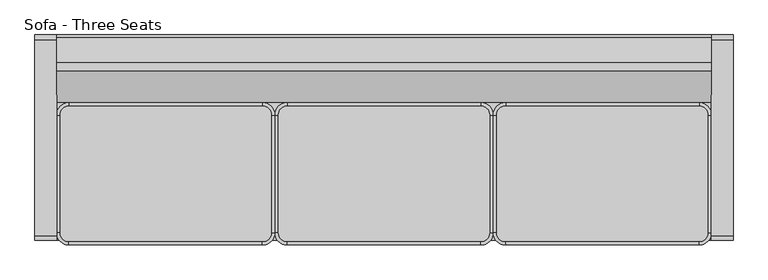
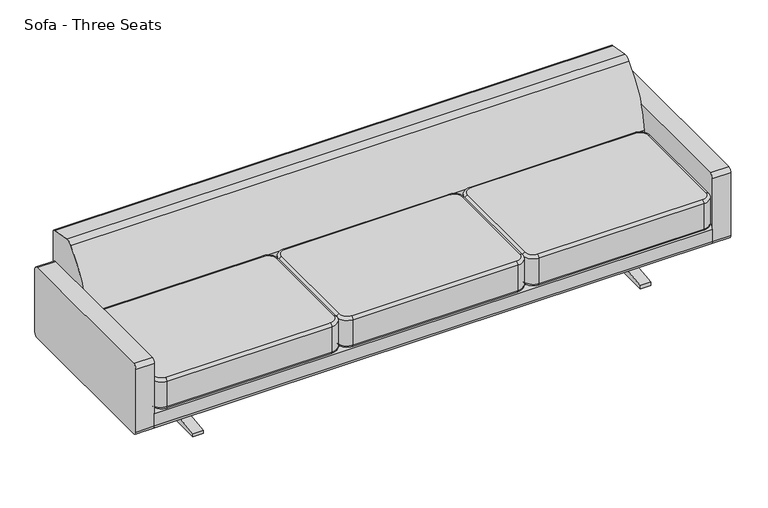
"""IFC4 building model written with IfcOpenShell, lengths in millimetres: furniture geometry, Sofa - Three Seats."""

from ifc_helpers import new_model, si_unit, point, frame, frame_2d, origin, place, context, project, spatial, polyline, circle_curve, ellipse_curve, trimmed, segment, composite_curve, outline, extrude, source, transform, mapped, element, save
from ifc_brep_helpers import plane_surface, cylinder_surface, revolved_surface, advanced_brep


def sofa_three_seats_1d3f8cb6(model_context):
    return source(origin(), model_context, "Body", "SolidModel", [
        advanced_brep(
        [(-397.9333333, 153.1137584, 291.1992435), (-448.7333333, 102.3137584, 291.1992435), (-448.7333333, 102.3137584, 419.864682), (-397.9333333, 153.1137584, 419.864682), (-397.9333333, 140.4137584, 278.4992435), (-436.0333333, 102.3137584, 278.4992435), (-436.0333333, 102.3137584, 432.564682), (-397.9333333, 140.4137584, 432.564682), (397.9333333, 153.1137584, 419.864682), (397.9333333, 153.1137584, 291.1992435), (397.9333333, 140.4137584, 278.4992435), (397.9333333, 140.4137584, 432.564682), (448.7333333, 102.3137584, 419.864682), (448.7333333, 102.3137584, 291.1992435), (436.0333333, 102.3137584, 278.4992435), (436.0333333, 102.3137584, 432.564682), (448.7333333, -381.0, 419.864682), (448.7333333, -381.0, 291.1992435), (436.0333333, -381.0, 278.4992435), (436.0333333, -381.0, 432.564682), (397.9333333, -431.8, 419.864682), (397.9333333, -431.8, 291.1992435), (397.9333333, -419.1, 278.4992435), (397.9333333, -419.1, 432.564682), (-397.9333333, -431.8, 419.864682), (-397.9333333, -431.8, 291.1992435), (-397.9333333, -419.1, 278.4992435), (-397.9333333, -419.1, 432.564682), (-448.7333333, -381.0, 419.864682), (-448.7333333, -381.0, 291.1992435), (-436.0333333, -381.0, 278.4992435), (-436.0333333, -381.0, 432.564682)],
        [
            (0, 1, circle_curve(frame((-397.9333333, 102.3137584, 291.1992435), z_axis=(0.0, 0.0, 1.0), x_axis=(-1.0, 0.0, 0.0)), 50.8)),
            (1, 2),
            (2, 3, circle_curve(frame((-397.9333333, 102.3137584, 419.864682), z_axis=(0.0, 0.0, -1.0), x_axis=(-1.0, 0.0, 0.0)), 50.8)),
            (3, 0),
            (0, 4, circle_curve(frame((-397.9333333, 140.4137584, 291.1992435), z_axis=(-1.0, 0.0, 0.0), x_axis=(0.0, 1.0, 0.0)), 12.7)),
            (4, 5, circle_curve(frame((-397.9333333, 102.3137584, 278.4992435), z_axis=(0.0, 0.0, 1.0), x_axis=(-1.0, 0.0, 0.0)), 38.1)),
            (5, 1, circle_curve(frame((-436.0333333, 102.3137584, 291.1992435), z_axis=(0.0, 1.0, 0.0), x_axis=(-1.0, 0.0, 0.0)), 12.7)),
            (2, 6, circle_curve(frame((-436.0333333, 102.3137584, 419.864682), z_axis=(0.0, 1.0, 0.0), x_axis=(-1.0, 0.0, 0.0)), 12.7)),
            (6, 7, circle_curve(frame((-397.9333333, 102.3137584, 432.564682), z_axis=(0.0, 0.0, -1.0), x_axis=(-1.0, 0.0, 0.0)), 38.1)),
            (7, 3, circle_curve(frame((-397.9333333, 140.4137584, 419.864682), z_axis=(-1.0, 0.0, 0.0), x_axis=(0.0, 1.0, 0.0)), 12.7)),
            (3, 8),
            (8, 9),
            (9, 0),
            (9, 10, circle_curve(frame((397.9333333, 140.4137584, 291.1992435), z_axis=(-1.0, 0.0, 0.0), x_axis=(0.0, 1.0, 0.0)), 12.7)),
            (10, 4),
            (7, 11),
            (11, 8, circle_curve(frame((397.9333333, 140.4137584, 419.864682), z_axis=(-1.0, 0.0, 0.0), x_axis=(0.0, 1.0, 0.0)), 12.7)),
            (8, 12, circle_curve(frame((397.9333333, 102.3137584, 419.864682), z_axis=(0.0, 0.0, -1.0), x_axis=(0.0, 1.0, 0.0)), 50.8)),
            (12, 13),
            (13, 9, circle_curve(frame((397.9333333, 102.3137584, 291.1992435), z_axis=(0.0, 0.0, 1.0), x_axis=(0.0, 1.0, 0.0)), 50.8)),
            (13, 14, circle_curve(frame((436.0333333, 102.3137584, 291.1992435), z_axis=(0.0, 1.0, 0.0), x_axis=(1.0, 0.0, 0.0)), 12.7)),
            (14, 10, circle_curve(frame((397.9333333, 102.3137584, 278.4992435), z_axis=(0.0, 0.0, 1.0), x_axis=(0.0, 1.0, 0.0)), 38.1)),
            (11, 15, circle_curve(frame((397.9333333, 102.3137584, 432.564682), z_axis=(0.0, 0.0, -1.0), x_axis=(0.0, 1.0, 0.0)), 38.1)),
            (15, 12, circle_curve(frame((436.0333333, 102.3137584, 419.864682), z_axis=(0.0, 1.0, 0.0), x_axis=(1.0, 0.0, 0.0)), 12.7)),
            (12, 16),
            (16, 17),
            (17, 13),
            (17, 18, circle_curve(frame((436.0333333, -381.0, 291.1992435), z_axis=(0.0, 1.0, 0.0), x_axis=(1.0, 0.0, 0.0)), 12.7)),
            (18, 14),
            (15, 19),
            (19, 16, circle_curve(frame((436.0333333, -381.0, 419.864682), z_axis=(0.0, 1.0, 0.0), x_axis=(1.0, 0.0, 0.0)), 12.7)),
            (16, 20, circle_curve(frame((397.9333333, -381.0, 419.864682), z_axis=(0.0, 0.0, -1.0), x_axis=(1.0, 0.0, 0.0)), 50.8)),
            (20, 21),
            (21, 17, circle_curve(frame((397.9333333, -381.0, 291.1992435), z_axis=(0.0, 0.0, 1.0), x_axis=(1.0, 0.0, 0.0)), 50.8)),
            (21, 22, circle_curve(frame((397.9333333, -419.1, 291.1992435), z_axis=(1.0, 0.0, 0.0), x_axis=(0.0, -1.0, 0.0)), 12.7)),
            (22, 18, circle_curve(frame((397.9333333, -381.0, 278.4992435), z_axis=(0.0, 0.0, 1.0), x_axis=(1.0, 0.0, 0.0)), 38.1)),
            (19, 23, circle_curve(frame((397.9333333, -381.0, 432.564682), z_axis=(0.0, 0.0, -1.0), x_axis=(1.0, 0.0, 0.0)), 38.1)),
            (23, 20, circle_curve(frame((397.9333333, -419.1, 419.864682), z_axis=(1.0, 0.0, 0.0), x_axis=(0.0, -1.0, 0.0)), 12.7)),
            (20, 24),
            (24, 25),
            (25, 21),
            (25, 26, circle_curve(frame((-397.9333333, -419.1, 291.1992435), z_axis=(1.0, 0.0, 0.0), x_axis=(0.0, -1.0, 0.0)), 12.7)),
            (26, 22),
            (23, 27),
            (27, 24, circle_curve(frame((-397.9333333, -419.1, 419.864682), z_axis=(1.0, 0.0, 0.0), x_axis=(0.0, -1.0, 0.0)), 12.7)),
            (24, 28, circle_curve(frame((-397.9333333, -381.0, 419.864682), z_axis=(0.0, 0.0, -1.0), x_axis=(0.0, -1.0, 0.0)), 50.8)),
            (28, 29),
            (29, 25, circle_curve(frame((-397.9333333, -381.0, 291.1992435), z_axis=(0.0, 0.0, 1.0), x_axis=(0.0, -1.0, 0.0)), 50.8)),
            (29, 30, circle_curve(frame((-436.0333333, -381.0, 291.1992435), z_axis=(0.0, -1.0, 0.0), x_axis=(-1.0, 0.0, 0.0)), 12.7)),
            (30, 26, circle_curve(frame((-397.9333333, -381.0, 278.4992435), z_axis=(0.0, 0.0, 1.0), x_axis=(0.0, -1.0, 0.0)), 38.1)),
            (27, 31, circle_curve(frame((-397.9333333, -381.0, 432.564682), z_axis=(0.0, 0.0, -1.0), x_axis=(0.0, -1.0, 0.0)), 38.1)),
            (31, 28, circle_curve(frame((-436.0333333, -381.0, 419.864682), z_axis=(0.0, -1.0, 0.0), x_axis=(-1.0, 0.0, 0.0)), 12.7)),
            (1, 29),
            (28, 2),
            (5, 30),
            (31, 6),
        ],
        [
            cylinder_surface(frame((-397.9333333, 102.3137584, 432.564682), z_axis=(0.0, 0.0, -1.0), x_axis=(-1.0, 0.0, 0.0)), 50.8),
            revolved_surface(trimmed(ellipse_curve(frame((-436.0333333, 102.3137584, 291.1992435), z_axis=(0.0, -1.0, 0.0), x_axis=(-1.0, 0.0, 0.0)), 12.7, 12.7), [point((-448.7333333, 102.3137584, 291.1992435))], [point((-436.0333333, 102.3137584, 278.4992435))], True, "CARTESIAN"), (-397.9333333, 102.3137584, 432.564682), (0.0, 0.0, -1.0)),
            revolved_surface(trimmed(ellipse_curve(frame((-436.0333333, 102.3137584, 419.864682), z_axis=(0.0, -1.0, 0.0), x_axis=(-1.0, 0.0, 0.0)), 12.7, 12.7), [point((-436.0333333, 102.3137584, 432.564682))], [point((-448.7333333, 102.3137584, 419.864682))], True, "CARTESIAN"), (-397.9333333, 102.3137584, 432.564682), (0.0, 0.0, -1.0)),
            plane_surface(frame((-397.9333333, 153.1137584, 419.864682), z_axis=(0.0, 1.0, 0.0), x_axis=(1.0, 0.0, 0.0))),
            cylinder_surface(frame((-397.9333333, 140.4137584, 291.1992435), z_axis=(-1.0, 0.0, 0.0), x_axis=(0.0, 1.0, 0.0)), 12.7),
            cylinder_surface(frame((-397.9333333, 140.4137584, 419.864682), z_axis=(-1.0, 0.0, 0.0), x_axis=(0.0, 1.0, 0.0)), 12.7),
            cylinder_surface(frame((397.9333333, 102.3137584, 432.564682), z_axis=(0.0, 0.0, -1.0), x_axis=(0.0, 1.0, 0.0)), 50.8),
            revolved_surface(trimmed(ellipse_curve(frame((397.9333333, 140.4137584, 291.1992435), z_axis=(-1.0, 0.0, 0.0), x_axis=(0.0, 1.0, 0.0)), 12.7, 12.7), [point((397.9333333, 153.1137584, 291.1992435))], [point((397.9333333, 140.4137584, 278.4992435))], True, "CARTESIAN"), (397.9333333, 102.3137584, 432.564682), (0.0, 0.0, -1.0)),
            revolved_surface(trimmed(ellipse_curve(frame((397.9333333, 140.4137584, 419.864682), z_axis=(-1.0, 0.0, 0.0), x_axis=(0.0, 1.0, 0.0)), 12.7, 12.7), [point((397.9333333, 140.4137584, 432.564682))], [point((397.9333333, 153.1137584, 419.864682))], True, "CARTESIAN"), (397.9333333, 102.3137584, 432.564682), (0.0, 0.0, -1.0)),
            plane_surface(frame((448.7333333, 102.3137584, 419.864682), z_axis=(1.0, 0.0, 0.0), x_axis=(0.0, -1.0, 0.0))),
            cylinder_surface(frame((436.0333333, 102.3137584, 291.1992435), z_axis=(0.0, 1.0, 0.0), x_axis=(1.0, 0.0, 0.0)), 12.7),
            cylinder_surface(frame((436.0333333, 102.3137584, 419.864682), z_axis=(0.0, 1.0, 0.0), x_axis=(1.0, 0.0, 0.0)), 12.7),
            cylinder_surface(frame((397.9333333, -381.0, 432.564682), z_axis=(0.0, 0.0, -1.0), x_axis=(1.0, 0.0, 0.0)), 50.8),
            revolved_surface(trimmed(ellipse_curve(frame((436.0333333, -381.0, 291.1992435), z_axis=(0.0, 1.0, 0.0), x_axis=(1.0, 0.0, 0.0)), 12.7, 12.7), [point((448.7333333, -381.0, 291.1992435))], [point((436.0333333, -381.0, 278.4992435))], True, "CARTESIAN"), (397.9333333, -381.0, 432.564682), (0.0, 0.0, -1.0)),
            revolved_surface(trimmed(ellipse_curve(frame((436.0333333, -381.0, 419.864682), z_axis=(0.0, 1.0, 0.0), x_axis=(1.0, 0.0, 0.0)), 12.7, 12.7), [point((436.0333333, -381.0, 432.564682))], [point((448.7333333, -381.0, 419.864682))], True, "CARTESIAN"), (397.9333333, -381.0, 432.564682), (0.0, 0.0, -1.0)),
            plane_surface(frame((397.9333333, -431.8, 419.864682), z_axis=(0.0, -1.0, 0.0), x_axis=(-1.0, 0.0, 0.0))),
            cylinder_surface(frame((397.9333333, -419.1, 291.1992435), z_axis=(1.0, 0.0, 0.0), x_axis=(0.0, -1.0, 0.0)), 12.7),
            cylinder_surface(frame((397.9333333, -419.1, 419.864682), z_axis=(1.0, 0.0, 0.0), x_axis=(0.0, -1.0, 0.0)), 12.7),
            cylinder_surface(frame((-397.9333333, -381.0, 432.564682), z_axis=(0.0, 0.0, -1.0), x_axis=(0.0, -1.0, 0.0)), 50.8),
            revolved_surface(trimmed(ellipse_curve(frame((-397.9333333, -419.1, 291.1992435), z_axis=(1.0, 0.0, 0.0), x_axis=(0.0, -1.0, 0.0)), 12.7, 12.7), [point((-397.9333333, -431.8, 291.1992435))], [point((-397.9333333, -419.1, 278.4992435))], True, "CARTESIAN"), (-397.9333333, -381.0, 432.564682), (0.0, 0.0, -1.0)),
            revolved_surface(trimmed(ellipse_curve(frame((-397.9333333, -419.1, 419.864682), z_axis=(1.0, 0.0, 0.0), x_axis=(0.0, -1.0, 0.0)), 12.7, 12.7), [point((-397.9333333, -419.1, 432.564682))], [point((-397.9333333, -431.8, 419.864682))], True, "CARTESIAN"), (-397.9333333, -381.0, 432.564682), (0.0, 0.0, -1.0)),
            plane_surface(frame((-448.7333333, -381.0, 419.864682), z_axis=(-1.0, 0.0, 0.0), x_axis=(0.0, 1.0, 0.0))),
            cylinder_surface(frame((-436.0333333, -381.0, 291.1992435), z_axis=(0.0, -1.0, 0.0), x_axis=(-1.0, 0.0, 0.0)), 12.7),
            cylinder_surface(frame((-436.0333333, -381.0, 419.864682), z_axis=(0.0, -1.0, 0.0), x_axis=(-1.0, 0.0, 0.0)), 12.7),
            plane_surface(frame((-436.0333333, 102.3137584, 432.564682), z_axis=(0.0, 0.0, 1.0), x_axis=(0.0, -1.0, 0.0))),
            plane_surface(frame((-436.0333333, 102.3137584, 278.4992435), z_axis=(0.0, 0.0, -1.0), x_axis=(0.0, 1.0, 0.0))),
        ],
        [
            (0, [[1, 2, 3, 4]]),
            (1, [[-1, 5, 6, 7]]),
            (2, [[-3, 8, 9, 10]]),
            (3, [[-4, 11, 12, 13]]),
            (4, [[-5, -13, 14, 15]]),
            (5, [[-10, 16, 17, -11]]),
            (6, [[-12, 18, 19, 20]]),
            (7, [[-14, -20, 21, 22]]),
            (8, [[-17, 23, 24, -18]]),
            (9, [[-19, 25, 26, 27]]),
            (10, [[-21, -27, 28, 29]]),
            (11, [[-24, 30, 31, -25]]),
            (12, [[-26, 32, 33, 34]]),
            (13, [[-28, -34, 35, 36]]),
            (14, [[-31, 37, 38, -32]]),
            (15, [[-33, 39, 40, 41]]),
            (16, [[-35, -41, 42, 43]]),
            (17, [[-38, 44, 45, -39]]),
            (18, [[-40, 46, 47, 48]]),
            (19, [[-42, -48, 49, 50]]),
            (20, [[-45, 51, 52, -46]]),
            (21, [[-2, 53, -47, 54]]),
            (22, [[-7, 55, -49, -53]]),
            (23, [[-8, -54, -52, 56]]),
            (24, [[-9, -56, -51, -44, -37, -30, -23, -16]]),
            (25, [[-6, -15, -22, -29, -36, -43, -50, -55]]),
        ],
    ),
        advanced_brep(
        [(499.5333333, 153.1137584, 291.1992435), (448.7333333, 102.3137584, 291.1992435), (448.7333333, 102.3137584, 419.864682), (499.5333333, 153.1137584, 419.864682), (499.5333333, 140.4137584, 278.4992435), (461.4333333, 102.3137584, 278.4992435), (461.4333333, 102.3137584, 432.564682), (499.5333333, 140.4137584, 432.564682), (1295.4, 153.1137584, 419.864682), (1295.4, 153.1137584, 291.1992435), (1295.4, 140.4137584, 278.4992435), (1295.4, 140.4137584, 432.564682), (1346.2, 102.3137584, 419.864682), (1346.2, 102.3137584, 291.1992435), (1333.5, 102.3137584, 278.4992435), (1333.5, 102.3137584, 432.564682), (1346.2, -381.0, 419.864682), (1346.2, -381.0, 291.1992435), (1333.5, -381.0, 278.4992435), (1333.5, -381.0, 432.564682), (1295.4, -431.8, 419.864682), (1295.4, -431.8, 291.1992435), (1295.4, -419.1, 278.4992435), (1295.4, -419.1, 432.564682), (499.5333333, -431.8, 419.864682), (499.5333333, -431.8, 291.1992435), (499.5333333, -419.1, 278.4992435), (499.5333333, -419.1, 432.564682), (448.7333333, -381.0, 419.864682), (448.7333333, -381.0, 291.1992435), (461.4333333, -381.0, 278.4992435), (461.4333333, -381.0, 432.564682)],
        [
            (0, 1, circle_curve(frame((499.5333333, 102.3137584, 291.1992435), z_axis=(0.0, 0.0, 1.0), x_axis=(-1.0, 0.0, 0.0)), 50.8)),
            (1, 2),
            (2, 3, circle_curve(frame((499.5333333, 102.3137584, 419.864682), z_axis=(0.0, 0.0, -1.0), x_axis=(-1.0, 0.0, 0.0)), 50.8)),
            (3, 0),
            (0, 4, circle_curve(frame((499.5333333, 140.4137584, 291.1992435), z_axis=(-1.0, 0.0, 0.0), x_axis=(0.0, 1.0, 0.0)), 12.7)),
            (4, 5, circle_curve(frame((499.5333333, 102.3137584, 278.4992435), z_axis=(0.0, 0.0, 1.0), x_axis=(-1.0, 0.0, 0.0)), 38.1)),
            (5, 1, circle_curve(frame((461.4333333, 102.3137584, 291.1992435), z_axis=(0.0, 1.0, 0.0), x_axis=(-1.0, 0.0, 0.0)), 12.7)),
            (2, 6, circle_curve(frame((461.4333333, 102.3137584, 419.864682), z_axis=(0.0, 1.0, 0.0), x_axis=(-1.0, 0.0, 0.0)), 12.7)),
            (6, 7, circle_curve(frame((499.5333333, 102.3137584, 432.564682), z_axis=(0.0, 0.0, -1.0), x_axis=(-1.0, 0.0, 0.0)), 38.1)),
            (7, 3, circle_curve(frame((499.5333333, 140.4137584, 419.864682), z_axis=(-1.0, 0.0, 0.0), x_axis=(0.0, 1.0, 0.0)), 12.7)),
            (3, 8),
            (8, 9),
            (9, 0),
            (9, 10, circle_curve(frame((1295.4, 140.4137584, 291.1992435), z_axis=(-1.0, 0.0, 0.0), x_axis=(0.0, 1.0, 0.0)), 12.7)),
            (10, 4),
            (7, 11),
            (11, 8, circle_curve(frame((1295.4, 140.4137584, 419.864682), z_axis=(-1.0, 0.0, 0.0), x_axis=(0.0, 1.0, 0.0)), 12.7)),
            (8, 12, circle_curve(frame((1295.4, 102.3137584, 419.864682), z_axis=(0.0, 0.0, -1.0), x_axis=(0.0, 1.0, 0.0)), 50.8)),
            (12, 13),
            (13, 9, circle_curve(frame((1295.4, 102.3137584, 291.1992435), z_axis=(0.0, 0.0, 1.0), x_axis=(0.0, 1.0, 0.0)), 50.8)),
            (13, 14, circle_curve(frame((1333.5, 102.3137584, 291.1992435), z_axis=(0.0, 1.0, 0.0), x_axis=(1.0, 0.0, 0.0)), 12.7)),
            (14, 10, circle_curve(frame((1295.4, 102.3137584, 278.4992435), z_axis=(0.0, 0.0, 1.0), x_axis=(0.0, 1.0, 0.0)), 38.1)),
            (11, 15, circle_curve(frame((1295.4, 102.3137584, 432.564682), z_axis=(0.0, 0.0, -1.0), x_axis=(0.0, 1.0, 0.0)), 38.1)),
            (15, 12, circle_curve(frame((1333.5, 102.3137584, 419.864682), z_axis=(0.0, 1.0, 0.0), x_axis=(1.0, 0.0, 0.0)), 12.7)),
            (12, 16),
            (16, 17),
            (17, 13),
            (17, 18, circle_curve(frame((1333.5, -381.0, 291.1992435), z_axis=(0.0, 1.0, 0.0), x_axis=(1.0, 0.0, 0.0)), 12.7)),
            (18, 14),
            (15, 19),
            (19, 16, circle_curve(frame((1333.5, -381.0, 419.864682), z_axis=(0.0, 1.0, 0.0), x_axis=(1.0, 0.0, 0.0)), 12.7)),
            (16, 20, circle_curve(frame((1295.4, -381.0, 419.864682), z_axis=(0.0, 0.0, -1.0), x_axis=(1.0, 0.0, 0.0)), 50.8)),
            (20, 21),
            (21, 17, circle_curve(frame((1295.4, -381.0, 291.1992435), z_axis=(0.0, 0.0, 1.0), x_axis=(1.0, 0.0, 0.0)), 50.8)),
            (21, 22, circle_curve(frame((1295.4, -419.1, 291.1992435), z_axis=(1.0, 0.0, 0.0), x_axis=(0.0, -1.0, 0.0)), 12.7)),
            (22, 18, circle_curve(frame((1295.4, -381.0, 278.4992435), z_axis=(0.0, 0.0, 1.0), x_axis=(1.0, 0.0, 0.0)), 38.1)),
            (19, 23, circle_curve(frame((1295.4, -381.0, 432.564682), z_axis=(0.0, 0.0, -1.0), x_axis=(1.0, 0.0, 0.0)), 38.1)),
            (23, 20, circle_curve(frame((1295.4, -419.1, 419.864682), z_axis=(1.0, 0.0, 0.0), x_axis=(0.0, -1.0, 0.0)), 12.7)),
            (20, 24),
            (24, 25),
            (25, 21),
            (25, 26, circle_curve(frame((499.5333333, -419.1, 291.1992435), z_axis=(1.0, 0.0, 0.0), x_axis=(0.0, -1.0, 0.0)), 12.7)),
            (26, 22),
            (23, 27),
            (27, 24, circle_curve(frame((499.5333333, -419.1, 419.864682), z_axis=(1.0, 0.0, 0.0), x_axis=(0.0, -1.0, 0.0)), 12.7)),
            (24, 28, circle_curve(frame((499.5333333, -381.0, 419.864682), z_axis=(0.0, 0.0, -1.0), x_axis=(0.0, -1.0, 0.0)), 50.8)),
            (28, 29),
            (29, 25, circle_curve(frame((499.5333333, -381.0, 291.1992435), z_axis=(0.0, 0.0, 1.0), x_axis=(0.0, -1.0, 0.0)), 50.8)),
            (29, 30, circle_curve(frame((461.4333333, -381.0, 291.1992435), z_axis=(0.0, -1.0, 0.0), x_axis=(-1.0, 0.0, 0.0)), 12.7)),
            (30, 26, circle_curve(frame((499.5333333, -381.0, 278.4992435), z_axis=(0.0, 0.0, 1.0), x_axis=(0.0, -1.0, 0.0)), 38.1)),
            (27, 31, circle_curve(frame((499.5333333, -381.0, 432.564682), z_axis=(0.0, 0.0, -1.0), x_axis=(0.0, -1.0, 0.0)), 38.1)),
            (31, 28, circle_curve(frame((461.4333333, -381.0, 419.864682), z_axis=(0.0, -1.0, 0.0), x_axis=(-1.0, 0.0, 0.0)), 12.7)),
            (1, 29),
            (28, 2),
            (5, 30),
            (31, 6),
        ],
        [
            cylinder_surface(frame((499.5333333, 102.3137584, 432.564682), z_axis=(0.0, 0.0, -1.0), x_axis=(-1.0, 0.0, 0.0)), 50.8),
            revolved_surface(trimmed(ellipse_curve(frame((461.4333333, 102.3137584, 291.1992435), z_axis=(0.0, -1.0, 0.0), x_axis=(-1.0, 0.0, 0.0)), 12.7, 12.7), [point((448.7333333, 102.3137584, 291.1992435))], [point((461.4333333, 102.3137584, 278.4992435))], True, "CARTESIAN"), (499.5333333, 102.3137584, 432.564682), (0.0, 0.0, -1.0)),
            revolved_surface(trimmed(ellipse_curve(frame((461.4333333, 102.3137584, 419.864682), z_axis=(0.0, -1.0, 0.0), x_axis=(-1.0, 0.0, 0.0)), 12.7, 12.7), [point((461.4333333, 102.3137584, 432.564682))], [point((448.7333333, 102.3137584, 419.864682))], True, "CARTESIAN"), (499.5333333, 102.3137584, 432.564682), (0.0, 0.0, -1.0)),
            plane_surface(frame((499.5333333, 153.1137584, 419.864682), z_axis=(0.0, 1.0, 0.0), x_axis=(1.0, 0.0, 0.0))),
            cylinder_surface(frame((499.5333333, 140.4137584, 291.1992435), z_axis=(-1.0, 0.0, 0.0), x_axis=(0.0, 1.0, 0.0)), 12.7),
            cylinder_surface(frame((499.5333333, 140.4137584, 419.864682), z_axis=(-1.0, 0.0, 0.0), x_axis=(0.0, 1.0, 0.0)), 12.7),
            cylinder_surface(frame((1295.4, 102.3137584, 432.564682), z_axis=(0.0, 0.0, -1.0), x_axis=(0.0, 1.0, 0.0)), 50.8),
            revolved_surface(trimmed(ellipse_curve(frame((1295.4, 140.4137584, 291.1992435), z_axis=(-1.0, 0.0, 0.0), x_axis=(0.0, 1.0, 0.0)), 12.7, 12.7), [point((1295.4, 153.1137584, 291.1992435))], [point((1295.4, 140.4137584, 278.4992435))], True, "CARTESIAN"), (1295.4, 102.3137584, 432.564682), (0.0, 0.0, -1.0)),
            revolved_surface(trimmed(ellipse_curve(frame((1295.4, 140.4137584, 419.864682), z_axis=(-1.0, 0.0, 0.0), x_axis=(0.0, 1.0, 0.0)), 12.7, 12.7), [point((1295.4, 140.4137584, 432.564682))], [point((1295.4, 153.1137584, 419.864682))], True, "CARTESIAN"), (1295.4, 102.3137584, 432.564682), (0.0, 0.0, -1.0)),
            plane_surface(frame((1346.2, 102.3137584, 419.864682), z_axis=(1.0, 0.0, 0.0), x_axis=(0.0, -1.0, 0.0))),
            cylinder_surface(frame((1333.5, 102.3137584, 291.1992435), z_axis=(0.0, 1.0, 0.0), x_axis=(1.0, 0.0, 0.0)), 12.7),
            cylinder_surface(frame((1333.5, 102.3137584, 419.864682), z_axis=(0.0, 1.0, 0.0), x_axis=(1.0, 0.0, 0.0)), 12.7),
            cylinder_surface(frame((1295.4, -381.0, 432.564682), z_axis=(0.0, 0.0, -1.0), x_axis=(1.0, 0.0, 0.0)), 50.8),
            revolved_surface(trimmed(ellipse_curve(frame((1333.5, -381.0, 291.1992435), z_axis=(0.0, 1.0, 0.0), x_axis=(1.0, 0.0, 0.0)), 12.7, 12.7), [point((1346.2, -381.0, 291.1992435))], [point((1333.5, -381.0, 278.4992435))], True, "CARTESIAN"), (1295.4, -381.0, 432.564682), (0.0, 0.0, -1.0)),
            revolved_surface(trimmed(ellipse_curve(frame((1333.5, -381.0, 419.864682), z_axis=(0.0, 1.0, 0.0), x_axis=(1.0, 0.0, 0.0)), 12.7, 12.7), [point((1333.5, -381.0, 432.564682))], [point((1346.2, -381.0, 419.864682))], True, "CARTESIAN"), (1295.4, -381.0, 432.564682), (0.0, 0.0, -1.0)),
            plane_surface(frame((1295.4, -431.8, 419.864682), z_axis=(0.0, -1.0, 0.0), x_axis=(-1.0, 0.0, 0.0))),
            cylinder_surface(frame((1295.4, -419.1, 291.1992435), z_axis=(1.0, 0.0, 0.0), x_axis=(0.0, -1.0, 0.0)), 12.7),
            cylinder_surface(frame((1295.4, -419.1, 419.864682), z_axis=(1.0, 0.0, 0.0), x_axis=(0.0, -1.0, 0.0)), 12.7),
            cylinder_surface(frame((499.5333333, -381.0, 432.564682), z_axis=(0.0, 0.0, -1.0), x_axis=(0.0, -1.0, 0.0)), 50.8),
            revolved_surface(trimmed(ellipse_curve(frame((499.5333333, -419.1, 291.1992435), z_axis=(1.0, 0.0, 0.0), x_axis=(0.0, -1.0, 0.0)), 12.7, 12.7), [point((499.5333333, -431.8, 291.1992435))], [point((499.5333333, -419.1, 278.4992435))], True, "CARTESIAN"), (499.5333333, -381.0, 432.564682), (0.0, 0.0, -1.0)),
            revolved_surface(trimmed(ellipse_curve(frame((499.5333333, -419.1, 419.864682), z_axis=(1.0, 0.0, 0.0), x_axis=(0.0, -1.0, 0.0)), 12.7, 12.7), [point((499.5333333, -419.1, 432.564682))], [point((499.5333333, -431.8, 419.864682))], True, "CARTESIAN"), (499.5333333, -381.0, 432.564682), (0.0, 0.0, -1.0)),
            plane_surface(frame((448.7333333, -381.0, 419.864682), z_axis=(-1.0, 0.0, 0.0), x_axis=(0.0, 1.0, 0.0))),
            cylinder_surface(frame((461.4333333, -381.0, 291.1992435), z_axis=(0.0, -1.0, 0.0), x_axis=(-1.0, 0.0, 0.0)), 12.7),
            cylinder_surface(frame((461.4333333, -381.0, 419.864682), z_axis=(0.0, -1.0, 0.0), x_axis=(-1.0, 0.0, 0.0)), 12.7),
            plane_surface(frame((461.4333333, 102.3137584, 432.564682), z_axis=(0.0, 0.0, 1.0), x_axis=(0.0, -1.0, 0.0))),
            plane_surface(frame((461.4333333, 102.3137584, 278.4992435), z_axis=(0.0, 0.0, -1.0), x_axis=(0.0, 1.0, 0.0))),
        ],
        [
            (0, [[1, 2, 3, 4]]),
            (1, [[-1, 5, 6, 7]]),
            (2, [[-3, 8, 9, 10]]),
            (3, [[-4, 11, 12, 13]]),
            (4, [[-5, -13, 14, 15]]),
            (5, [[-10, 16, 17, -11]]),
            (6, [[-12, 18, 19, 20]]),
            (7, [[-14, -20, 21, 22]]),
            (8, [[-17, 23, 24, -18]]),
            (9, [[-19, 25, 26, 27]]),
            (10, [[-21, -27, 28, 29]]),
            (11, [[-24, 30, 31, -25]]),
            (12, [[-26, 32, 33, 34]]),
            (13, [[-28, -34, 35, 36]]),
            (14, [[-31, 37, 38, -32]]),
            (15, [[-33, 39, 40, 41]]),
            (16, [[-35, -41, 42, 43]]),
            (17, [[-38, 44, 45, -39]]),
            (18, [[-40, 46, 47, 48]]),
            (19, [[-42, -48, 49, 50]]),
            (20, [[-45, 51, 52, -46]]),
            (21, [[-2, 53, -47, 54]]),
            (22, [[-7, 55, -49, -53]]),
            (23, [[-8, -54, -52, 56]]),
            (24, [[-9, -56, -51, -44, -37, -30, -23, -16]]),
            (25, [[-6, -15, -22, -29, -36, -43, -50, -55]]),
        ],
    ),
        advanced_brep(
        [(-1295.4, 153.1137584, 291.1992435), (-1346.2, 102.3137584, 291.1992435), (-1346.2, 102.3137584, 419.864682), (-1295.4, 153.1137584, 419.864682), (-1295.4, 140.4137584, 278.4992435), (-1333.5, 102.3137584, 278.4992435), (-1333.5, 102.3137584, 432.564682), (-1295.4, 140.4137584, 432.564682), (-499.5333333, 153.1137584, 419.864682), (-499.5333333, 153.1137584, 291.1992435), (-499.5333333, 140.4137584, 278.4992435), (-499.5333333, 140.4137584, 432.564682), (-448.7333333, 102.3137584, 419.864682), (-448.7333333, 102.3137584, 291.1992435), (-461.4333333, 102.3137584, 278.4992435), (-461.4333333, 102.3137584, 432.564682), (-448.7333333, -381.0, 419.864682), (-448.7333333, -381.0, 291.1992435), (-461.4333333, -381.0, 278.4992435), (-461.4333333, -381.0, 432.564682), (-499.5333333, -431.8, 419.864682), (-499.5333333, -431.8, 291.1992435), (-499.5333333, -419.1, 278.4992435), (-499.5333333, -419.1, 432.564682), (-1295.4, -431.8, 419.864682), (-1295.4, -431.8, 291.1992435), (-1295.4, -419.1, 278.4992435), (-1295.4, -419.1, 432.564682), (-1346.2, -381.0, 419.864682), (-1346.2, -381.0, 291.1992435), (-1333.5, -381.0, 278.4992435), (-1333.5, -381.0, 432.564682)],
        [
            (0, 1, circle_curve(frame((-1295.4, 102.3137584, 291.1992435), z_axis=(0.0, 0.0, 1.0), x_axis=(-1.0, 0.0, 0.0)), 50.8)),
            (1, 2),
            (2, 3, circle_curve(frame((-1295.4, 102.3137584, 419.864682), z_axis=(0.0, 0.0, -1.0), x_axis=(-1.0, 0.0, 0.0)), 50.8)),
            (3, 0),
            (0, 4, circle_curve(frame((-1295.4, 140.4137584, 291.1992435), z_axis=(-1.0, 0.0, 0.0), x_axis=(0.0, 1.0, 0.0)), 12.7)),
            (4, 5, circle_curve(frame((-1295.4, 102.3137584, 278.4992435), z_axis=(0.0, 0.0, 1.0), x_axis=(-1.0, 0.0, 0.0)), 38.1)),
            (5, 1, circle_curve(frame((-1333.5, 102.3137584, 291.1992435), z_axis=(0.0, 1.0, 0.0), x_axis=(-1.0, 0.0, 0.0)), 12.7)),
            (2, 6, circle_curve(frame((-1333.5, 102.3137584, 419.864682), z_axis=(0.0, 1.0, 0.0), x_axis=(-1.0, 0.0, 0.0)), 12.7)),
            (6, 7, circle_curve(frame((-1295.4, 102.3137584, 432.564682), z_axis=(0.0, 0.0, -1.0), x_axis=(-1.0, 0.0, 0.0)), 38.1)),
            (7, 3, circle_curve(frame((-1295.4, 140.4137584, 419.864682), z_axis=(-1.0, 0.0, 0.0), x_axis=(0.0, 1.0, 0.0)), 12.7)),
            (3, 8),
            (8, 9),
            (9, 0),
            (9, 10, circle_curve(frame((-499.5333333, 140.4137584, 291.1992435), z_axis=(-1.0, 0.0, 0.0), x_axis=(0.0, 1.0, 0.0)), 12.7)),
            (10, 4),
            (7, 11),
            (11, 8, circle_curve(frame((-499.5333333, 140.4137584, 419.864682), z_axis=(-1.0, 0.0, 0.0), x_axis=(0.0, 1.0, 0.0)), 12.7)),
            (8, 12, circle_curve(frame((-499.5333333, 102.3137584, 419.864682), z_axis=(0.0, 0.0, -1.0), x_axis=(0.0, 1.0, 0.0)), 50.8)),
            (12, 13),
            (13, 9, circle_curve(frame((-499.5333333, 102.3137584, 291.1992435), z_axis=(0.0, 0.0, 1.0), x_axis=(0.0, 1.0, 0.0)), 50.8)),
            (13, 14, circle_curve(frame((-461.4333333, 102.3137584, 291.1992435), z_axis=(0.0, 1.0, 0.0), x_axis=(1.0, 0.0, 0.0)), 12.7)),
            (14, 10, circle_curve(frame((-499.5333333, 102.3137584, 278.4992435), z_axis=(0.0, 0.0, 1.0), x_axis=(0.0, 1.0, 0.0)), 38.1)),
            (11, 15, circle_curve(frame((-499.5333333, 102.3137584, 432.564682), z_axis=(0.0, 0.0, -1.0), x_axis=(0.0, 1.0, 0.0)), 38.1)),
            (15, 12, circle_curve(frame((-461.4333333, 102.3137584, 419.864682), z_axis=(0.0, 1.0, 0.0), x_axis=(1.0, 0.0, 0.0)), 12.7)),
            (12, 16),
            (16, 17),
            (17, 13),
            (17, 18, circle_curve(frame((-461.4333333, -381.0, 291.1992435), z_axis=(0.0, 1.0, 0.0), x_axis=(1.0, 0.0, 0.0)), 12.7)),
            (18, 14),
            (15, 19),
            (19, 16, circle_curve(frame((-461.4333333, -381.0, 419.864682), z_axis=(0.0, 1.0, 0.0), x_axis=(1.0, 0.0, 0.0)), 12.7)),
            (16, 20, circle_curve(frame((-499.5333333, -381.0, 419.864682), z_axis=(0.0, 0.0, -1.0), x_axis=(1.0, 0.0, 0.0)), 50.8)),
            (20, 21),
            (21, 17, circle_curve(frame((-499.5333333, -381.0, 291.1992435), z_axis=(0.0, 0.0, 1.0), x_axis=(1.0, 0.0, 0.0)), 50.8)),
            (21, 22, circle_curve(frame((-499.5333333, -419.1, 291.1992435), z_axis=(1.0, 0.0, 0.0), x_axis=(0.0, -1.0, 0.0)), 12.7)),
            (22, 18, circle_curve(frame((-499.5333333, -381.0, 278.4992435), z_axis=(0.0, 0.0, 1.0), x_axis=(1.0, 0.0, 0.0)), 38.1)),
            (19, 23, circle_curve(frame((-499.5333333, -381.0, 432.564682), z_axis=(0.0, 0.0, -1.0), x_axis=(1.0, 0.0, 0.0)), 38.1)),
            (23, 20, circle_curve(frame((-499.5333333, -419.1, 419.864682), z_axis=(1.0, 0.0, 0.0), x_axis=(0.0, -1.0, 0.0)), 12.7)),
            (20, 24),
            (24, 25),
            (25, 21),
            (25, 26, circle_curve(frame((-1295.4, -419.1, 291.1992435), z_axis=(1.0, 0.0, 0.0), x_axis=(0.0, -1.0, 0.0)), 12.7)),
            (26, 22),
            (23, 27),
            (27, 24, circle_curve(frame((-1295.4, -419.1, 419.864682), z_axis=(1.0, 0.0, 0.0), x_axis=(0.0, -1.0, 0.0)), 12.7)),
            (24, 28, circle_curve(frame((-1295.4, -381.0, 419.864682), z_axis=(0.0, 0.0, -1.0), x_axis=(0.0, -1.0, 0.0)), 50.8)),
            (28, 29),
            (29, 25, circle_curve(frame((-1295.4, -381.0, 291.1992435), z_axis=(0.0, 0.0, 1.0), x_axis=(0.0, -1.0, 0.0)), 50.8)),
            (29, 30, circle_curve(frame((-1333.5, -381.0, 291.1992435), z_axis=(0.0, -1.0, 0.0), x_axis=(-1.0, 0.0, 0.0)), 12.7)),
            (30, 26, circle_curve(frame((-1295.4, -381.0, 278.4992435), z_axis=(0.0, 0.0, 1.0), x_axis=(0.0, -1.0, 0.0)), 38.1)),
            (27, 31, circle_curve(frame((-1295.4, -381.0, 432.564682), z_axis=(0.0, 0.0, -1.0), x_axis=(0.0, -1.0, 0.0)), 38.1)),
            (31, 28, circle_curve(frame((-1333.5, -381.0, 419.864682), z_axis=(0.0, -1.0, 0.0), x_axis=(-1.0, 0.0, 0.0)), 12.7)),
            (1, 29),
            (28, 2),
            (5, 30),
            (31, 6),
        ],
        [
            cylinder_surface(frame((-1295.4, 102.3137584, 432.564682), z_axis=(0.0, 0.0, -1.0), x_axis=(-1.0, 0.0, 0.0)), 50.8),
            revolved_surface(trimmed(ellipse_curve(frame((-1333.5, 102.3137584, 291.1992435), z_axis=(0.0, -1.0, 0.0), x_axis=(-1.0, 0.0, 0.0)), 12.7, 12.7), [point((-1346.2, 102.3137584, 291.1992435))], [point((-1333.5, 102.3137584, 278.4992435))], True, "CARTESIAN"), (-1295.4, 102.3137584, 432.564682), (0.0, 0.0, -1.0)),
            revolved_surface(trimmed(ellipse_curve(frame((-1333.5, 102.3137584, 419.864682), z_axis=(0.0, -1.0, 0.0), x_axis=(-1.0, 0.0, 0.0)), 12.7, 12.7), [point((-1333.5, 102.3137584, 432.564682))], [point((-1346.2, 102.3137584, 419.864682))], True, "CARTESIAN"), (-1295.4, 102.3137584, 432.564682), (0.0, 0.0, -1.0)),
            plane_surface(frame((-1295.4, 153.1137584, 419.864682), z_axis=(0.0, 1.0, 0.0), x_axis=(1.0, 0.0, 0.0))),
            cylinder_surface(frame((-1295.4, 140.4137584, 291.1992435), z_axis=(-1.0, 0.0, 0.0), x_axis=(0.0, 1.0, 0.0)), 12.7),
            cylinder_surface(frame((-1295.4, 140.4137584, 419.864682), z_axis=(-1.0, 0.0, 0.0), x_axis=(0.0, 1.0, 0.0)), 12.7),
            cylinder_surface(frame((-499.5333333, 102.3137584, 432.564682), z_axis=(0.0, 0.0, -1.0), x_axis=(0.0, 1.0, 0.0)), 50.8),
            revolved_surface(trimmed(ellipse_curve(frame((-499.5333333, 140.4137584, 291.1992435), z_axis=(-1.0, 0.0, 0.0), x_axis=(0.0, 1.0, 0.0)), 12.7, 12.7), [point((-499.5333333, 153.1137584, 291.1992435))], [point((-499.5333333, 140.4137584, 278.4992435))], True, "CARTESIAN"), (-499.5333333, 102.3137584, 432.564682), (0.0, 0.0, -1.0)),
            revolved_surface(trimmed(ellipse_curve(frame((-499.5333333, 140.4137584, 419.864682), z_axis=(-1.0, 0.0, 0.0), x_axis=(0.0, 1.0, 0.0)), 12.7, 12.7), [point((-499.5333333, 140.4137584, 432.564682))], [point((-499.5333333, 153.1137584, 419.864682))], True, "CARTESIAN"), (-499.5333333, 102.3137584, 432.564682), (0.0, 0.0, -1.0)),
            plane_surface(frame((-448.7333333, 102.3137584, 419.864682), z_axis=(1.0, 0.0, 0.0), x_axis=(0.0, -1.0, 0.0))),
            cylinder_surface(frame((-461.4333333, 102.3137584, 291.1992435), z_axis=(0.0, 1.0, 0.0), x_axis=(1.0, 0.0, 0.0)), 12.7),
            cylinder_surface(frame((-461.4333333, 102.3137584, 419.864682), z_axis=(0.0, 1.0, 0.0), x_axis=(1.0, 0.0, 0.0)), 12.7),
            cylinder_surface(frame((-499.5333333, -381.0, 432.564682), z_axis=(0.0, 0.0, -1.0), x_axis=(1.0, 0.0, 0.0)), 50.8),
            revolved_surface(trimmed(ellipse_curve(frame((-461.4333333, -381.0, 291.1992435), z_axis=(0.0, 1.0, 0.0), x_axis=(1.0, 0.0, 0.0)), 12.7, 12.7), [point((-448.7333333, -381.0, 291.1992435))], [point((-461.4333333, -381.0, 278.4992435))], True, "CARTESIAN"), (-499.5333333, -381.0, 432.564682), (0.0, 0.0, -1.0)),
            revolved_surface(trimmed(ellipse_curve(frame((-461.4333333, -381.0, 419.864682), z_axis=(0.0, 1.0, 0.0), x_axis=(1.0, 0.0, 0.0)), 12.7, 12.7), [point((-461.4333333, -381.0, 432.564682))], [point((-448.7333333, -381.0, 419.864682))], True, "CARTESIAN"), (-499.5333333, -381.0, 432.564682), (0.0, 0.0, -1.0)),
            plane_surface(frame((-499.5333333, -431.8, 419.864682), z_axis=(0.0, -1.0, 0.0), x_axis=(-1.0, 0.0, 0.0))),
            cylinder_surface(frame((-499.5333333, -419.1, 291.1992435), z_axis=(1.0, 0.0, 0.0), x_axis=(0.0, -1.0, 0.0)), 12.7),
            cylinder_surface(frame((-499.5333333, -419.1, 419.864682), z_axis=(1.0, 0.0, 0.0), x_axis=(0.0, -1.0, 0.0)), 12.7),
            cylinder_surface(frame((-1295.4, -381.0, 432.564682), z_axis=(0.0, 0.0, -1.0), x_axis=(0.0, -1.0, 0.0)), 50.8),
            revolved_surface(trimmed(ellipse_curve(frame((-1295.4, -419.1, 291.1992435), z_axis=(1.0, 0.0, 0.0), x_axis=(0.0, -1.0, 0.0)), 12.7, 12.7), [point((-1295.4, -431.8, 291.1992435))], [point((-1295.4, -419.1, 278.4992435))], True, "CARTESIAN"), (-1295.4, -381.0, 432.564682), (0.0, 0.0, -1.0)),
            revolved_surface(trimmed(ellipse_curve(frame((-1295.4, -419.1, 419.864682), z_axis=(1.0, 0.0, 0.0), x_axis=(0.0, -1.0, 0.0)), 12.7, 12.7), [point((-1295.4, -419.1, 432.564682))], [point((-1295.4, -431.8, 419.864682))], True, "CARTESIAN"), (-1295.4, -381.0, 432.564682), (0.0, 0.0, -1.0)),
            plane_surface(frame((-1346.2, -381.0, 419.864682), z_axis=(-1.0, 0.0, 0.0), x_axis=(0.0, 1.0, 0.0))),
            cylinder_surface(frame((-1333.5, -381.0, 291.1992435), z_axis=(0.0, -1.0, 0.0), x_axis=(-1.0, 0.0, 0.0)), 12.7),
            cylinder_surface(frame((-1333.5, -381.0, 419.864682), z_axis=(0.0, -1.0, 0.0), x_axis=(-1.0, 0.0, 0.0)), 12.7),
            plane_surface(frame((-1333.5, 102.3137584, 432.564682), z_axis=(0.0, 0.0, 1.0), x_axis=(0.0, -1.0, 0.0))),
            plane_surface(frame((-1333.5, 102.3137584, 278.4992435), z_axis=(0.0, 0.0, -1.0), x_axis=(0.0, 1.0, 0.0))),
        ],
        [
            (0, [[1, 2, 3, 4]]),
            (1, [[-1, 5, 6, 7]]),
            (2, [[-3, 8, 9, 10]]),
            (3, [[-4, 11, 12, 13]]),
            (4, [[-5, -13, 14, 15]]),
            (5, [[-10, 16, 17, -11]]),
            (6, [[-12, 18, 19, 20]]),
            (7, [[-14, -20, 21, 22]]),
            (8, [[-17, 23, 24, -18]]),
            (9, [[-19, 25, 26, 27]]),
            (10, [[-21, -27, 28, 29]]),
            (11, [[-24, 30, 31, -25]]),
            (12, [[-26, 32, 33, 34]]),
            (13, [[-28, -34, 35, 36]]),
            (14, [[-31, 37, 38, -32]]),
            (15, [[-33, 39, 40, 41]]),
            (16, [[-35, -41, 42, 43]]),
            (17, [[-38, 44, 45, -39]]),
            (18, [[-40, 46, 47, 48]]),
            (19, [[-42, -48, 49, 50]]),
            (20, [[-45, 51, 52, -46]]),
            (21, [[-2, 53, -47, 54]]),
            (22, [[-7, 55, -49, -53]]),
            (23, [[-8, -54, -52, 56]]),
            (24, [[-9, -56, -51, -44, -37, -30, -23, -16]]),
            (25, [[-6, -15, -22, -29, -36, -43, -50, -55]]),
        ],
    ),
        extrude(outline(composite_curve([segment(polyline([(393.1969754, 0.0), (38.1, 0.0), (-316.9969754, 0.0), (-316.9969754, 16.2401822), (-83.5204743, 42.7918602)]), True, "CONTINUOUS"), segment(trimmed(circle_curve(frame_2d((-83.5204743, 71.7339548)), 28.9420946), [point((-83.5204743, 42.7918602))], [point((-54.5783797, 71.7339548))], True, "CARTESIAN"), True, "CONTINUOUS"), segment(polyline([(-54.5783797, 71.7339548), (-54.5783797, 136.8214548)]), True, "CONTINUOUS"), segment(trimmed(circle_curve(frame_2d((-83.5204743, 136.8214548)), 28.9420946), [point((-54.5783797, 136.8214548))], [point((-83.5204743, 165.7635494))], True, "CARTESIAN"), True, "CONTINUOUS"), segment(polyline([(-83.5204743, 165.7635494), (-133.399025, 165.7635494), (-133.399025, 178.564682), (-30.0000311, 178.564682), (-30.0000311, 70.7911959)]), True, "CONTINUOUS"), segment(trimmed(circle_curve(frame_2d((-1.0732953, 71.7339548)), 28.9420946), [point((-30.0000311, 70.7911959))], [point((-1.0732953, 42.7918602))], True, "CARTESIAN"), True, "CONTINUOUS"), segment(polyline([(-1.0732953, 42.7918602), (38.1, 42.7918602), (77.2732953, 42.7918602)]), True, "CONTINUOUS"), segment(trimmed(circle_curve(frame_2d((77.2732953, 71.7339548)), 28.9420946), [point((77.2732953, 42.7918602))], [point((106.2000311, 70.7911959))], True, "CARTESIAN"), True, "CONTINUOUS"), segment(polyline([(106.2000311, 70.7911959), (106.2000311, 178.564682), (209.599025, 178.564682), (209.599025, 165.7635494), (159.7204743, 165.7635494)]), True, "CONTINUOUS"), segment(trimmed(circle_curve(frame_2d((159.7204743, 136.8214548)), 28.9420946), [point((159.7204743, 165.7635494))], [point((130.7783797, 136.8214548))], True, "CARTESIAN"), True, "CONTINUOUS"), segment(polyline([(130.7783797, 136.8214548), (130.7783797, 71.7339548)]), True, "CONTINUOUS"), segment(trimmed(circle_curve(frame_2d((159.7204743, 71.7339548)), 28.9420946), [point((130.7783797, 71.7339548))], [point((159.7204743, 42.7918602))], True, "CARTESIAN"), True, "CONTINUOUS"), segment(polyline([(159.7204743, 42.7918602), (393.1969754, 16.2401822), (393.1969754, 0.0)]), True, "CONTINUOUS")], self_intersect=False)), frame((-1104.9, 0.0, 0.0), z_axis=(1.0, 0.0, 0.0), x_axis=(0.0, 1.0, 0.0)), (0.0, 0.0, 1.0), 50.8),
        extrude(outline(composite_curve([segment(polyline([(393.1969754, 0.0), (38.1, 0.0), (-316.9969754, 0.0), (-316.9969754, 16.2401822), (-83.5204743, 42.7918602)]), True, "CONTINUOUS"), segment(trimmed(circle_curve(frame_2d((-83.5204743, 71.7339548)), 28.9420946), [point((-83.5204743, 42.7918602))], [point((-54.5783797, 71.7339548))], True, "CARTESIAN"), True, "CONTINUOUS"), segment(polyline([(-54.5783797, 71.7339548), (-54.5783797, 136.8214548)]), True, "CONTINUOUS"), segment(trimmed(circle_curve(frame_2d((-83.5204743, 136.8214548)), 28.9420946), [point((-54.5783797, 136.8214548))], [point((-83.5204743, 165.7635494))], True, "CARTESIAN"), True, "CONTINUOUS"), segment(polyline([(-83.5204743, 165.7635494), (-133.399025, 165.7635494), (-133.399025, 178.564682), (-30.0000311, 178.564682), (-30.0000311, 70.7911959)]), True, "CONTINUOUS"), segment(trimmed(circle_curve(frame_2d((-1.0732953, 71.7339548)), 28.9420946), [point((-30.0000311, 70.7911959))], [point((-1.0732953, 42.7918602))], True, "CARTESIAN"), True, "CONTINUOUS"), segment(polyline([(-1.0732953, 42.7918602), (38.1, 42.7918602), (77.2732953, 42.7918602)]), True, "CONTINUOUS"), segment(trimmed(circle_curve(frame_2d((77.2732953, 71.7339548)), 28.9420946), [point((77.2732953, 42.7918602))], [point((106.2000311, 70.7911959))], True, "CARTESIAN"), True, "CONTINUOUS"), segment(polyline([(106.2000311, 70.7911959), (106.2000311, 178.564682), (209.599025, 178.564682), (209.599025, 165.7635494), (159.7204743, 165.7635494)]), True, "CONTINUOUS"), segment(trimmed(circle_curve(frame_2d((159.7204743, 136.8214548)), 28.9420946), [point((159.7204743, 165.7635494))], [point((130.7783797, 136.8214548))], True, "CARTESIAN"), True, "CONTINUOUS"), segment(polyline([(130.7783797, 136.8214548), (130.7783797, 71.7339548)]), True, "CONTINUOUS"), segment(trimmed(circle_curve(frame_2d((159.7204743, 71.7339548)), 28.9420946), [point((130.7783797, 71.7339548))], [point((159.7204743, 42.7918602))], True, "CARTESIAN"), True, "CONTINUOUS"), segment(polyline([(159.7204743, 42.7918602), (393.1969754, 16.2401822), (393.1969754, 0.0)]), True, "CONTINUOUS")], self_intersect=False)), frame((1054.1, 0.0, 0.0), z_axis=(1.0, 0.0, 0.0), x_axis=(0.0, 1.0, 0.0)), (0.0, 0.0, 1.0), 50.8),
        extrude(outline(composite_curve([segment(polyline([(431.8, 278.4992435), (204.8844187, 278.4992435)]), True, "CONTINUOUS"), segment(trimmed(circle_curve(frame_2d((204.8844187, 330.9070425)), 52.4077991), [point((204.8844187, 278.4992435))], [point((155.6371966, 312.9825196))], False, "CARTESIAN"), True, "CONTINUOUS"), segment(trimmed(circle_curve(frame_2d((711.2495727, 366.9575196)), 558.2279222), [point((155.6371966, 312.9825196))], [point((155.6371966, 420.9325196))], False, "CARTESIAN"), True, "CONTINUOUS"), segment(trimmed(circle_curve(frame_2d((608.6040303, 376.9801204)), 455.0942384), [point((155.6371966, 420.9325196))], [point((284.4512428, 696.4104511))], False, "CARTESIAN"), True, "CONTINUOUS"), segment(trimmed(circle_curve(frame_2d((315.2580629, 666.0524437)), 43.2512286), [point((284.4512428, 696.4104511))], [point((319.2980572, 709.1145758))], False, "CARTESIAN"), True, "CONTINUOUS"), segment(trimmed(circle_curve(frame_2d((259.3151568, 69.7593349)), 642.1628083), [point((319.2980572, 709.1145758))], [point((421.8764201, 691.0055888))], False, "CARTESIAN"), True, "CONTINUOUS"), segment(trimmed(circle_curve(frame_2d((421.8764201, 681.0820089)), 9.9235799), [point((421.8764201, 691.0055888))], [point((431.8, 681.0820089))], False, "CARTESIAN"), True, "CONTINUOUS"), segment(polyline([(431.8, 681.0820089), (431.8, 278.4992435)]), True, "CONTINUOUS")], self_intersect=False)), frame((-1346.2, 0.0, 0.0), z_axis=(1.0, 0.0, 0.0), x_axis=(0.0, 1.0, 0.0)), (0.0, 0.0, 1.0), 2692.4),
        extrude(outline(composite_curve([segment(polyline([(-393.4719322, 278.4992435), (431.8, 278.4992435), (431.8, 197.614682)]), True, "CONTINUOUS"), segment(trimmed(circle_curve(frame_2d((412.75, 197.614682)), 19.05), [point((431.8, 197.614682))], [point((412.75, 178.564682))], False, "CARTESIAN"), True, "CONTINUOUS"), segment(polyline([(412.75, 178.564682), (-393.4719322, 178.564682)]), True, "CONTINUOUS"), segment(trimmed(circle_curve(frame_2d((-393.4719322, 197.614682)), 19.05), [point((-393.4719322, 178.564682))], [point((-412.5219322, 197.614682))], False, "CARTESIAN"), True, "CONTINUOUS"), segment(polyline([(-412.5219322, 197.614682), (-412.5219322, 259.4492435)]), True, "CONTINUOUS"), segment(trimmed(circle_curve(frame_2d((-393.4719322, 259.4492435)), 19.05), [point((-412.5219322, 259.4492435))], [point((-393.4719322, 278.4992435))], False, "CARTESIAN"), True, "CONTINUOUS")], self_intersect=False)), frame((-1346.2, 0.0, 0.0), z_axis=(1.0, 0.0, 0.0), x_axis=(0.0, 1.0, 0.0)), (0.0, 0.0, 1.0), 2692.4),
        extrude(outline(composite_curve([segment(polyline([(431.8, 518.5600991), (431.8, 197.614682)]), True, "CONTINUOUS"), segment(trimmed(circle_curve(frame_2d((412.75, 197.614682)), 19.05), [point((431.8, 197.614682))], [point((412.75, 178.564682))], False, "CARTESIAN"), True, "CONTINUOUS"), segment(polyline([(412.75, 178.564682), (-393.4719322, 178.564682)]), True, "CONTINUOUS"), segment(trimmed(circle_curve(frame_2d((-393.4719322, 197.614682)), 19.05), [point((-393.4719322, 178.564682))], [point((-412.5219322, 197.614682))], False, "CARTESIAN"), True, "CONTINUOUS"), segment(polyline([(-412.5219322, 197.614682), (-412.5219322, 518.5600991)]), True, "CONTINUOUS"), segment(trimmed(circle_curve(frame_2d((-393.4719322, 518.5600991)), 19.05), [point((-412.5219322, 518.5600991))], [point((-393.4719322, 537.6100991))], False, "CARTESIAN"), True, "CONTINUOUS"), segment(polyline([(-393.4719322, 537.6100991), (412.75, 537.6100991)]), True, "CONTINUOUS"), segment(trimmed(circle_curve(frame_2d((412.75, 518.5600991)), 19.05), [point((412.75, 537.6100991))], [point((431.8, 518.5600991))], False, "CARTESIAN"), True, "CONTINUOUS")], self_intersect=False)), frame((1346.2, 0.0, 0.0), z_axis=(1.0, 0.0, 0.0), x_axis=(0.0, 1.0, 0.0)), (0.0, 0.0, 1.0), 88.9),
        extrude(outline(composite_curve([segment(polyline([(431.8, 518.5600991), (431.8, 197.614682)]), True, "CONTINUOUS"), segment(trimmed(circle_curve(frame_2d((412.75, 197.614682)), 19.05), [point((431.8, 197.614682))], [point((412.75, 178.564682))], False, "CARTESIAN"), True, "CONTINUOUS"), segment(polyline([(412.75, 178.564682), (-393.4719322, 178.564682)]), True, "CONTINUOUS"), segment(trimmed(circle_curve(frame_2d((-393.4719322, 197.614682)), 19.05), [point((-393.4719322, 178.564682))], [point((-412.5219322, 197.614682))], False, "CARTESIAN"), True, "CONTINUOUS"), segment(polyline([(-412.5219322, 197.614682), (-412.5219322, 518.5600991)]), True, "CONTINUOUS"), segment(trimmed(circle_curve(frame_2d((-393.4719322, 518.5600991)), 19.05), [point((-412.5219322, 518.5600991))], [point((-393.4719322, 537.6100991))], False, "CARTESIAN"), True, "CONTINUOUS"), segment(polyline([(-393.4719322, 537.6100991), (412.75, 537.6100991)]), True, "CONTINUOUS"), segment(trimmed(circle_curve(frame_2d((412.75, 518.5600991)), 19.05), [point((412.75, 537.6100991))], [point((431.8, 518.5600991))], False, "CARTESIAN"), True, "CONTINUOUS")], self_intersect=False)), frame((-1435.1, 0.0, 0.0), z_axis=(1.0, 0.0, 0.0), x_axis=(0.0, 1.0, 0.0)), (0.0, 0.0, 1.0), 88.9),
    ])


if __name__ == "__main__":
    model = new_model("IFC4")
    model_context = context("Model", 3, world=origin())
    ifc_project = project(units=[si_unit("LENGTHUNIT", "METRE", prefix="MILLI")], contexts=[model_context])
    site = spatial("IfcSite", under=ifc_project)
    building = spatial("IfcBuilding", under=site)
    placement = place(None, origin())
    sofa_three_seats_shape = sofa_three_seats_1d3f8cb6(model_context)
    element("IfcFurniture", 1, ObjectType="Sofa - Three Seats", at=placement, inside=building, context=model_context, shape_type="MappedRepresentation", body=[
        mapped(sofa_three_seats_shape, transform((0.0, 0.0, 0.0), x_axis=(1.0, 0.0, 0.0), y_axis=(0.0, 1.0, 0.0), z_axis=(0.0, 0.0, 1.0))),
    ])
    save(model, "model.ifc")
